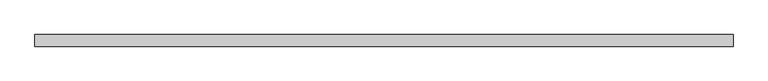
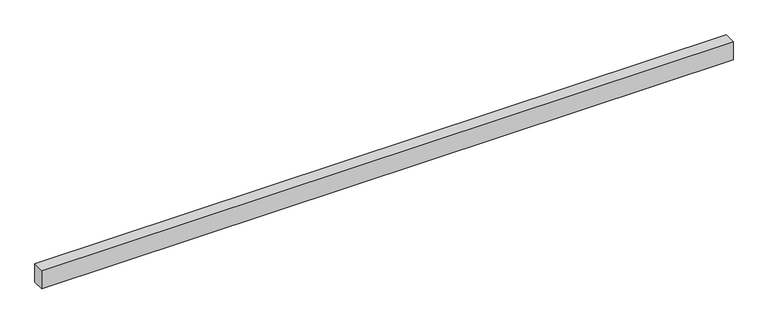
"""IFC4 building model written with IfcOpenShell, lengths in millimetres: proxy geometry."""

from ifc_helpers import new_model, si_unit, origin, origin_with_axes, place, context, project, spatial, polyline, outline, extrude, source, transform, mapped, element, save


def generic_models_c72cf57f(model_context):
    return source(origin(), model_context, "Body", "SweptSolid", [
        extrude(outline(polyline([(18000.0, 300.0), (18000.0, 0.0), (0.0, 0.0), (0.0, 300.0), (18000.0, 300.0)])), origin_with_axes(), (0.0, 0.0, 1.0), 500.0),
    ])


if __name__ == "__main__":
    model = new_model("IFC4")
    model_context = context("Model", 3, world=origin())
    ifc_project = project(units=[si_unit("LENGTHUNIT", "METRE", prefix="MILLI")], contexts=[model_context])
    site = spatial("IfcSite", under=ifc_project)
    building = spatial("IfcBuilding", under=site)
    placement = place(None, origin())
    generic_models_shape = generic_models_c72cf57f(model_context)
    element("IfcBuildingElementProxy", 1, Name="Generic Models", at=placement, inside=building, context=model_context, shape_type="MappedRepresentation", body=[
        mapped(generic_models_shape, transform((0.0, 0.0, 0.0), x_axis=(1.0, 0.0, 0.0), y_axis=(0.0, 1.0, 0.0), z_axis=(0.0, 0.0, 1.0))),
    ])
    save(model, "model.ifc")
